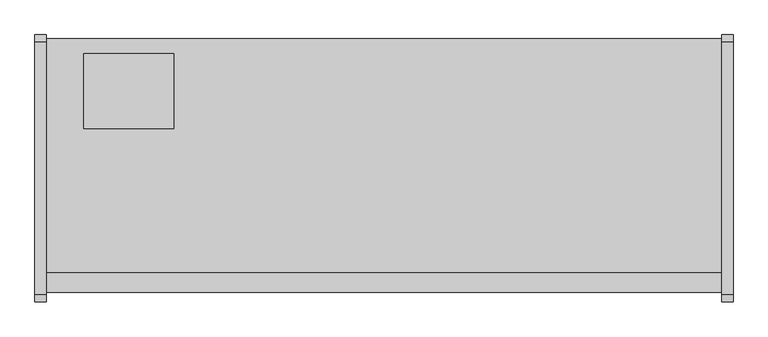
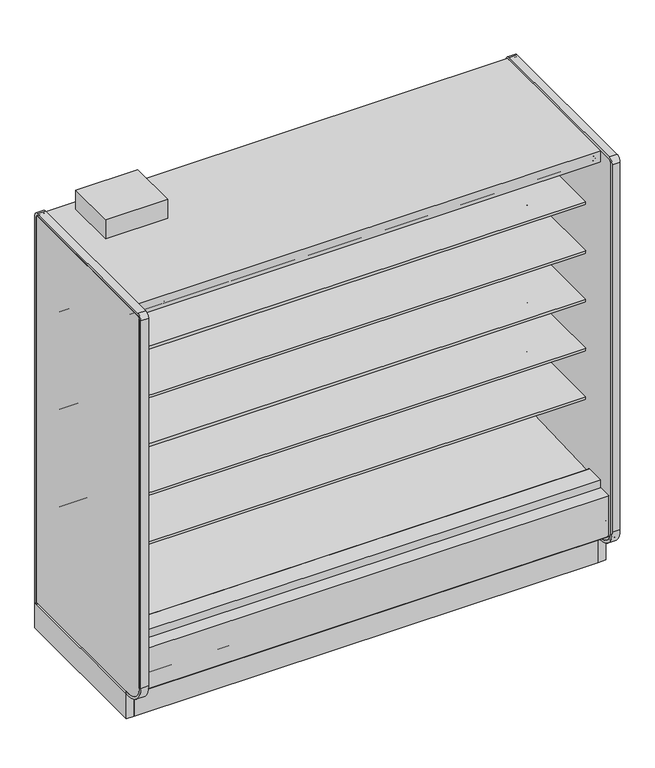
"""IFC4 building model written with IfcOpenShell, lengths in millimetres: proxy geometry."""

from ifc_helpers import new_model, si_unit, point, frame, frame_2d, origin, origin_with_axes, place, context, project, spatial, polyline, circle_curve, trimmed, segment, composite_curve, outline, extrude, source, transform, mapped, element, save


def mechanical_equipment_ccfae0c1(model_context):
    return source(origin(), model_context, "Body", "SweptSolid", [
        extrude(outline(polyline([(0.0, -76.2), (0.0, 0.0), (2286.0, 0.0), (2286.0, -76.2), (0.0, -76.2)])), frame((2286.0, -1069.7024444, 2067.8753304), z_axis=(0.0, 0.08686991344759683, 0.9962196635971442), x_axis=(-1.0, 0.0, 0.0)), (0.0, 0.0, 1.0), 13.49375),
        extrude(outline(polyline([(-1116.7224764, 0.0), (-1116.7224764, 200.9830033), (-1104.0224764, 190.326438), (-1104.0224764, 0.0), (-1116.7224764, 0.0)])), frame((0.0, 0.0, 0.0), z_axis=(1.0, 0.0, 0.0), x_axis=(0.0, 1.0, 0.0)), (0.0, 0.0, 1.0), 2286.0),
        extrude(outline(composite_curve([segment(polyline([(-453.852044, 1714.883004), (-464.9599362, 1714.6666869)]), True, "CONTINUOUS"), segment(trimmed(circle_curve(frame_2d((-465.4478819, 1739.7227147)), 25.0607786), [point((-464.9599362, 1714.6666869))], [point((-481.3552045, 1720.3578055))], False, "CARTESIAN"), True, "CONTINUOUS"), segment(polyline([(-481.3552045, 1720.3578055), (-519.5769051, 1751.4410741)]), True, "CONTINUOUS"), segment(trimmed(circle_curve(frame_2d((-559.6413782, 1702.1755893)), 63.5), [point((-519.5769051, 1751.4410741))], [point((-552.7883688, 1765.304713))], True, "CARTESIAN"), True, "CONTINUOUS"), segment(polyline([(-552.7883688, 1765.304713), (-892.1960421, 1797.9152031), (-892.1960421, 1802.1995295), (-1012.652044, 1802.1995295), (-1012.652044, 1815.6932795), (-453.852044, 1815.6932795), (-453.852044, 1714.883004)]), True, "CONTINUOUS")], self_intersect=False)), frame((0.0, 0.0, 0.0), z_axis=(1.0, 0.0, 0.0), x_axis=(0.0, 1.0, 0.0)), (0.0, 0.0, 1.0), 2286.0),
        extrude(outline(composite_curve([segment(polyline([(-453.852044, 698.883004), (-464.9599362, 698.6666869)]), True, "CONTINUOUS"), segment(trimmed(circle_curve(frame_2d((-465.4478819, 723.7227147)), 25.0607786), [point((-464.9599362, 698.6666869))], [point((-481.3552045, 704.3578055))], False, "CARTESIAN"), True, "CONTINUOUS"), segment(polyline([(-481.3552045, 704.3578055), (-519.5769051, 735.4410741)]), True, "CONTINUOUS"), segment(trimmed(circle_curve(frame_2d((-559.6413782, 686.1755893)), 63.5), [point((-519.5769051, 735.4410741))], [point((-552.7883688, 749.304713))], True, "CARTESIAN"), True, "CONTINUOUS"), segment(polyline([(-552.7883688, 749.304713), (-892.1960421, 781.9152031), (-892.1960421, 786.1995295), (-1012.652044, 786.1995295), (-1012.652044, 799.6932795), (-453.852044, 799.6932795), (-453.852044, 698.883004)]), True, "CONTINUOUS")], self_intersect=False)), frame((0.0, 0.0, 0.0), z_axis=(1.0, 0.0, 0.0), x_axis=(0.0, 1.0, 0.0)), (0.0, 0.0, 1.0), 2286.0),
        extrude(outline(composite_curve([segment(polyline([(-453.852044, 952.883004), (-464.9599362, 952.6666869)]), True, "CONTINUOUS"), segment(trimmed(circle_curve(frame_2d((-465.4478819, 977.7227147)), 25.0607786), [point((-464.9599362, 952.6666869))], [point((-481.3552045, 958.3578055))], False, "CARTESIAN"), True, "CONTINUOUS"), segment(polyline([(-481.3552045, 958.3578055), (-519.5769051, 989.4410741)]), True, "CONTINUOUS"), segment(trimmed(circle_curve(frame_2d((-559.6413782, 940.1755893)), 63.5), [point((-519.5769051, 989.4410741))], [point((-552.7883688, 1003.304713))], True, "CARTESIAN"), True, "CONTINUOUS"), segment(polyline([(-552.7883688, 1003.304713), (-892.1960421, 1035.9152031), (-892.1960421, 1040.1995295), (-1012.652044, 1040.1995295), (-1012.652044, 1053.6932795), (-453.852044, 1053.6932795), (-453.852044, 952.883004)]), True, "CONTINUOUS")], self_intersect=False)), frame((0.0, 0.0, 0.0), z_axis=(1.0, 0.0, 0.0), x_axis=(0.0, 1.0, 0.0)), (0.0, 0.0, 1.0), 2286.0),
        extrude(outline(composite_curve([segment(polyline([(-453.852044, 1206.883004), (-464.9599362, 1206.6666869)]), True, "CONTINUOUS"), segment(trimmed(circle_curve(frame_2d((-465.4478819, 1231.7227147)), 25.0607786), [point((-464.9599362, 1206.6666869))], [point((-481.3552045, 1212.3578055))], False, "CARTESIAN"), True, "CONTINUOUS"), segment(polyline([(-481.3552045, 1212.3578055), (-519.5769051, 1243.4410741)]), True, "CONTINUOUS"), segment(trimmed(circle_curve(frame_2d((-559.6413782, 1194.1755893)), 63.5), [point((-519.5769051, 1243.4410741))], [point((-552.7883688, 1257.304713))], True, "CARTESIAN"), True, "CONTINUOUS"), segment(polyline([(-552.7883688, 1257.304713), (-892.1960421, 1289.9152031), (-892.1960421, 1294.1995295), (-1012.652044, 1294.1995295), (-1012.652044, 1307.6932795), (-453.852044, 1307.6932795), (-453.852044, 1206.883004)]), True, "CONTINUOUS")], self_intersect=False)), frame((0.0, 0.0, 0.0), z_axis=(1.0, 0.0, 0.0), x_axis=(0.0, 1.0, 0.0)), (0.0, 0.0, 1.0), 2286.0),
        extrude(outline(composite_curve([segment(polyline([(-453.852044, 1460.883004), (-464.9599362, 1460.6666869)]), True, "CONTINUOUS"), segment(trimmed(circle_curve(frame_2d((-465.4478819, 1485.7227147)), 25.0607786), [point((-464.9599362, 1460.6666869))], [point((-481.3552045, 1466.3578055))], False, "CARTESIAN"), True, "CONTINUOUS"), segment(polyline([(-481.3552045, 1466.3578055), (-519.5769051, 1497.4410741)]), True, "CONTINUOUS"), segment(trimmed(circle_curve(frame_2d((-559.6413782, 1448.1755893)), 63.5), [point((-519.5769051, 1497.4410741))], [point((-552.7883688, 1511.304713))], True, "CARTESIAN"), True, "CONTINUOUS"), segment(polyline([(-552.7883688, 1511.304713), (-892.1960421, 1543.9152031), (-892.1960421, 1548.1995295), (-1012.652044, 1548.1995295), (-1012.652044, 1561.6932795), (-453.852044, 1561.6932795), (-453.852044, 1460.883004)]), True, "CONTINUOUS")], self_intersect=False)), frame((0.0, 0.0, 0.0), z_axis=(1.0, 0.0, 0.0), x_axis=(0.0, 1.0, 0.0)), (0.0, 0.0, 1.0), 2286.0),
        extrude(outline(composite_curve([segment(trimmed(circle_curve(frame_2d((-1205.2112901, 192.5834383)), 3.175), [point((-1203.6237901, 189.8338076))], [point((-1208.3862901, 192.5834383))], False, "CARTESIAN"), True, "CONTINUOUS"), segment(polyline([(-1208.3862901, 192.5834383), (-1208.3862901, 404.4766923), (-1140.7995461, 404.4766923), (-1140.7995461, 389.4530238), (-1191.4362273, 389.4530238), (-1191.4362273, 263.6779615), (-1151.099162, 229.8208457), (-1203.6237901, 189.8338076)]), True, "CONTINUOUS")], self_intersect=False)), frame((0.0, 0.0, 0.0), z_axis=(1.0, 0.0, 0.0), x_axis=(0.0, 1.0, 0.0)), (0.0, 0.0, 1.0), 2286.0),
        extrude(outline(polyline([(-957.9724764, 130.5306), (-957.9724764, 0.0), (-1116.7224764, 0.0), (-1116.7224764, 200.9830033), (-1032.7605717, 130.5306), (-957.9724764, 130.5306)])), frame((0.0, 0.0, 0.0), z_axis=(1.0, 0.0, 0.0), x_axis=(0.0, 1.0, 0.0)), (0.0, 0.0, 1.0), 2286.0),
        extrude(outline(polyline([(431.8, -399.1724764), (431.8, -653.1724764), (127.0, -653.1724764), (127.0, -399.1724764), (431.8, -399.1724764)])), frame((0.0, 0.0, 2160.5892404), z_axis=(0.0, 0.0, 1.0), x_axis=(1.0, 0.0, 0.0)), (0.0, 0.0, 1.0), 100.0107596),
        extrude(outline(polyline([(-1032.7605717, 130.5306), (-1191.4362273, 263.6752841), (-1191.4362273, 389.4530238), (-1140.7995461, 389.4530238), (-1140.7995461, 291.8489814), (-1030.1279807, 198.9845117), (-1014.582444, 199.5273738), (-969.0109428, 166.5598124), (-899.9654388, 168.9709345), (-859.8822128, 202.4654113), (-402.3474764, 229.9627575), (-402.3474764, 2101.1826079), (-1140.7995461, 2101.1826079), (-1140.7995461, 2159.0), (-348.3724764, 2159.0), (-348.3724764, 130.5306), (-1032.7605717, 130.5306)])), frame((0.0, 0.0, 0.0), z_axis=(1.0, 0.0, 0.0), x_axis=(0.0, 1.0, 0.0)), (0.0, 0.0, 1.0), 2286.0),
        extrude(outline(composite_curve([segment(polyline([(-610.9918112, 2075.7826079), (-992.875881, 2075.7826079), (-992.8481892, 2077.4254758), (-1070.7201873, 2084.2158796), (-1070.7201873, 2074.3348079)]), True, "CONTINUOUS"), segment(trimmed(circle_curve(frame_2d((-1073.2601873, 2074.3348079)), 2.54), [point((-1070.7201873, 2074.3348079))], [point((-1073.2601873, 2071.7948079))], False, "CARTESIAN"), True, "CONTINUOUS"), segment(polyline([(-1073.2601873, 2071.7948079), (-1082.4803873, 2071.7948079)]), True, "CONTINUOUS"), segment(trimmed(circle_curve(frame_2d((-1082.4803873, 2074.3348079)), 2.54), [point((-1082.4803873, 2071.7948079))], [point((-1085.0203873, 2074.3348079))], False, "CARTESIAN"), True, "CONTINUOUS"), segment(polyline([(-1085.0203873, 2074.3348079), (-1085.0203873, 2094.529083)]), True, "CONTINUOUS"), segment(trimmed(circle_curve(frame_2d((-1087.5603873, 2094.529083)), 2.54), [point((-1085.0203873, 2094.529083))], [point((-1087.5603873, 2097.069083))], True, "CARTESIAN"), True, "CONTINUOUS"), segment(polyline([(-1087.5603873, 2097.069083), (-1101.5303873, 2097.069083)]), True, "CONTINUOUS"), segment(trimmed(circle_curve(frame_2d((-1101.5303873, 2099.609083)), 2.54), [point((-1101.5303873, 2097.069083))], [point((-1104.0703873, 2099.609083))], False, "CARTESIAN"), True, "CONTINUOUS"), segment(polyline([(-1104.0703873, 2099.609083), (-1104.0703873, 2101.1826079), (-402.3474764, 2101.1826079), (-402.3474764, 445.9092331), (-453.852044, 445.9092331), (-453.852044, 2075.7826079), (-610.9918112, 2075.7826079)]), True, "CONTINUOUS")], self_intersect=False)), frame((0.0, 0.0, 0.0), z_axis=(1.0, 0.0, 0.0), x_axis=(0.0, 1.0, 0.0)), (0.0, 0.0, 1.0), 2286.0),
        extrude(outline(composite_curve([segment(polyline([(-453.852044, 445.9092331), (-402.3474764, 445.9092331), (-402.3474764, 229.9627575), (-859.8822128, 202.4654113), (-899.9654388, 168.9709345), (-969.0109428, 166.5598124), (-1014.582444, 199.5273738), (-1030.1279807, 198.9845117), (-1140.7995461, 291.8489814), (-1140.7995461, 445.9478), (-1046.459444, 445.9478)]), True, "CONTINUOUS"), segment(trimmed(circle_curve(frame_2d((-1046.459444, 443.8904)), 2.0574), [point((-1046.459444, 445.9478))], [point((-1044.402044, 443.8904))], False, "CARTESIAN"), True, "CONTINUOUS"), segment(polyline([(-1044.402044, 443.8904), (-1044.402044, 423.8521774), (-453.852044, 445.9092331)]), True, "CONTINUOUS")], self_intersect=False)), frame((0.0, 0.0, 0.0), z_axis=(1.0, 0.0, 0.0), x_axis=(0.0, 1.0, 0.0)), (0.0, 0.0, 1.0), 2286.0),
        extrude(outline(polyline([(-957.9724764, 0.0), (-957.9724764, 130.5306), (-348.3724764, 130.5306), (-348.3724764, 0.0), (-394.3083324, 0.0), (-394.3083324, 74.8810382), (-886.6366205, 74.8810382), (-886.6366205, 0.0), (-957.9724764, 0.0)])), frame((0.0, 0.0, 0.0), z_axis=(1.0, 0.0, 0.0), x_axis=(0.0, 1.0, 0.0)), (0.0, 0.0, 1.0), 2286.0),
        extrude(outline(composite_curve([segment(polyline([(-1214.1946273, 2159.0), (-361.0724764, 2159.0)]), True, "CONTINUOUS"), segment(trimmed(circle_curve(frame_2d((-361.0724764, 2146.3)), 12.7), [point((-361.0724764, 2159.0))], [point((-348.3724764, 2146.3))], False, "CARTESIAN"), True, "CONTINUOUS"), segment(polyline([(-348.3724764, 2146.3), (-348.3724764, 143.2306), (-1137.9946273, 143.2306)]), True, "CONTINUOUS"), segment(trimmed(circle_curve(frame_2d((-1137.9946273, 232.1306)), 88.9), [point((-1137.9946273, 143.2306))], [point((-1226.8946273, 232.1306))], False, "CARTESIAN"), True, "CONTINUOUS"), segment(polyline([(-1226.8946273, 232.1306), (-1226.8946273, 2146.3)]), True, "CONTINUOUS"), segment(trimmed(circle_curve(frame_2d((-1214.1946273, 2146.3)), 12.7), [point((-1226.8946273, 2146.3))], [point((-1214.1946273, 2159.0))], False, "CARTESIAN"), True, "CONTINUOUS")], self_intersect=False)), frame((-38.1, 0.0, 0.0), z_axis=(1.0, 0.0, 0.0), x_axis=(0.0, 1.0, 0.0)), (0.0, 0.0, 1.0), 38.1),
        extrude(outline(composite_curve([segment(polyline([(-1239.5946273, 232.1306), (-1239.5946273, 2146.3)]), True, "CONTINUOUS"), segment(trimmed(circle_curve(frame_2d((-1214.1946273, 2146.3)), 25.4), [point((-1239.5946273, 2146.3))], [point((-1214.1946273, 2171.7))], False, "CARTESIAN"), True, "CONTINUOUS"), segment(polyline([(-1214.1946273, 2171.7), (-361.0724764, 2171.7)]), True, "CONTINUOUS"), segment(trimmed(circle_curve(frame_2d((-361.0724764, 2146.3)), 25.4), [point((-361.0724764, 2171.7))], [point((-335.6724764, 2146.3))], False, "CARTESIAN"), True, "CONTINUOUS"), segment(polyline([(-335.6724764, 2146.3), (-335.6724764, 130.5306), (-348.3724764, 130.5306), (-348.3724764, 2146.3)]), True, "CONTINUOUS"), segment(trimmed(circle_curve(frame_2d((-361.0724764, 2146.3)), 12.7), [point((-348.3724764, 2146.3))], [point((-361.0724764, 2159.0))], True, "CARTESIAN"), True, "CONTINUOUS"), segment(polyline([(-361.0724764, 2159.0), (-1214.1946273, 2159.0)]), True, "CONTINUOUS"), segment(trimmed(circle_curve(frame_2d((-1214.1946273, 2146.3)), 12.7), [point((-1214.1946273, 2159.0))], [point((-1226.8946273, 2146.3))], True, "CARTESIAN"), True, "CONTINUOUS"), segment(polyline([(-1226.8946273, 2146.3), (-1226.8946273, 232.1306)]), True, "CONTINUOUS"), segment(trimmed(circle_curve(frame_2d((-1137.9946273, 232.1306)), 88.9), [point((-1226.8946273, 232.1306))], [point((-1137.9946273, 143.2306))], True, "CARTESIAN"), True, "CONTINUOUS"), segment(polyline([(-1137.9946273, 143.2306), (-1116.7224764, 143.2306), (-1116.7224764, 130.5306), (-1137.9946273, 130.5306)]), True, "CONTINUOUS"), segment(trimmed(circle_curve(frame_2d((-1137.9946273, 232.1306)), 101.6), [point((-1137.9946273, 130.5306))], [point((-1239.5946273, 232.1306))], False, "CARTESIAN"), True, "CONTINUOUS")], self_intersect=False)), frame((-38.1, 0.0, 0.0), z_axis=(1.0, 0.0, 0.0), x_axis=(0.0, 1.0, 0.0)), (0.0, 0.0, 1.0), 38.1),
        extrude(outline(composite_curve([segment(polyline([(-1239.5946273, 232.1306), (-1239.5946273, 2146.3)]), True, "CONTINUOUS"), segment(trimmed(circle_curve(frame_2d((-1214.1946273, 2146.3)), 25.4), [point((-1239.5946273, 2146.3))], [point((-1214.1946273, 2171.7))], False, "CARTESIAN"), True, "CONTINUOUS"), segment(polyline([(-1214.1946273, 2171.7), (-361.0724764, 2171.7)]), True, "CONTINUOUS"), segment(trimmed(circle_curve(frame_2d((-361.0724764, 2146.3)), 25.4), [point((-361.0724764, 2171.7))], [point((-335.6724764, 2146.3))], False, "CARTESIAN"), True, "CONTINUOUS"), segment(polyline([(-335.6724764, 2146.3), (-335.6724764, 130.5306), (-348.3724764, 130.5306), (-348.3724764, 2146.3)]), True, "CONTINUOUS"), segment(trimmed(circle_curve(frame_2d((-361.0724764, 2146.3)), 12.7), [point((-348.3724764, 2146.3))], [point((-361.0724764, 2159.0))], True, "CARTESIAN"), True, "CONTINUOUS"), segment(polyline([(-361.0724764, 2159.0), (-1214.1946273, 2159.0)]), True, "CONTINUOUS"), segment(trimmed(circle_curve(frame_2d((-1214.1946273, 2146.3)), 12.7), [point((-1214.1946273, 2159.0))], [point((-1226.8946273, 2146.3))], True, "CARTESIAN"), True, "CONTINUOUS"), segment(polyline([(-1226.8946273, 2146.3), (-1226.8946273, 232.1306)]), True, "CONTINUOUS"), segment(trimmed(circle_curve(frame_2d((-1137.9946273, 232.1306)), 88.9), [point((-1226.8946273, 232.1306))], [point((-1137.9946273, 143.2306))], True, "CARTESIAN"), True, "CONTINUOUS"), segment(polyline([(-1137.9946273, 143.2306), (-1116.7224764, 143.2306), (-1116.7224764, 130.5306), (-1137.9946273, 130.5306)]), True, "CONTINUOUS"), segment(trimmed(circle_curve(frame_2d((-1137.9946273, 232.1306)), 101.6), [point((-1137.9946273, 130.5306))], [point((-1239.5946273, 232.1306))], False, "CARTESIAN"), True, "CONTINUOUS")], self_intersect=False)), frame((2286.0, 0.0, 0.0), z_axis=(1.0, 0.0, 0.0), x_axis=(0.0, 1.0, 0.0)), (0.0, 0.0, 1.0), 38.1),
        extrude(outline(composite_curve([segment(polyline([(-1214.1946273, 2159.0), (-361.0724764, 2159.0)]), True, "CONTINUOUS"), segment(trimmed(circle_curve(frame_2d((-361.0724764, 2146.3)), 12.7), [point((-361.0724764, 2159.0))], [point((-348.3724764, 2146.3))], False, "CARTESIAN"), True, "CONTINUOUS"), segment(polyline([(-348.3724764, 2146.3), (-348.3724764, 143.2306), (-1137.9946273, 143.2306)]), True, "CONTINUOUS"), segment(trimmed(circle_curve(frame_2d((-1137.9946273, 232.1306)), 88.9), [point((-1137.9946273, 143.2306))], [point((-1226.8946273, 232.1306))], False, "CARTESIAN"), True, "CONTINUOUS"), segment(polyline([(-1226.8946273, 232.1306), (-1226.8946273, 2146.3)]), True, "CONTINUOUS"), segment(trimmed(circle_curve(frame_2d((-1214.1946273, 2146.3)), 12.7), [point((-1226.8946273, 2146.3))], [point((-1214.1946273, 2159.0))], False, "CARTESIAN"), True, "CONTINUOUS")], self_intersect=False)), frame((2286.0, 0.0, 0.0), z_axis=(1.0, 0.0, 0.0), x_axis=(0.0, 1.0, 0.0)), (0.0, 0.0, 1.0), 38.1),
        extrude(outline(polyline([(2324.1, -335.6724764), (2324.1, -1116.7224764), (2286.0, -1116.7224764), (2286.0, -335.6724764), (2324.1, -335.6724764)])), origin_with_axes(), (0.0, 0.0, 1.0), 143.2306),
        extrude(outline(polyline([(457.2, -1044.3321273), (457.2, -1108.244384), (254.0, -1108.244384), (254.0, -1044.3321273), (457.2, -1044.3321273)])), frame((0.0, 0.0, 44.45), z_axis=(0.0, 0.0, 1.0), x_axis=(1.0, 0.0, 0.0)), (0.0, 0.0, 1.0), 6.35),
        extrude(outline(polyline([(0.0, -335.6724764), (0.0, -1116.7224764), (-38.1, -1116.7224764), (-38.1, -335.6724764), (0.0, -335.6724764)])), origin_with_axes(), (0.0, 0.0, 1.0), 130.5306),
        extrude(outline(composite_curve([segment(trimmed(circle_curve(frame_2d((1143.0, -936.3821273)), 38.1), [point((1104.9, -936.3821273))], [point((1181.1, -936.3821273))], False, "CARTESIAN"), True, "CONTINUOUS"), segment(trimmed(circle_curve(frame_2d((1143.0, -936.3821273)), 38.1), [point((1181.1, -936.3821273))], [point((1104.9, -936.3821273))], False, "CARTESIAN"), True, "CONTINUOUS")], self_intersect=False)), frame((0.0, 0.0, 61.2666507), z_axis=(0.0, 0.0, 1.0), x_axis=(1.0, 0.0, 0.0)), (0.0, 0.0, 1.0), 65.7333493),
        extrude(outline(composite_curve([segment(trimmed(circle_curve(frame_2d((1341.4375, -939.5571273)), 12.7), [point((1328.7375, -939.5571273))], [point((1354.1375, -939.5571273))], False, "CARTESIAN"), True, "CONTINUOUS"), segment(trimmed(circle_curve(frame_2d((1341.4375, -939.5571273)), 12.7), [point((1354.1375, -939.5571273))], [point((1328.7375, -939.5571273))], False, "CARTESIAN"), True, "CONTINUOUS")], self_intersect=False)), frame((0.0, 0.0, 61.2666507), z_axis=(0.0, 0.0, 1.0), x_axis=(1.0, 0.0, 0.0)), (0.0, 0.0, 1.0), 65.7333493),
        extrude(outline(composite_curve([segment(trimmed(circle_curve(frame_2d((1290.6375, -939.5571273)), 9.525), [point((1281.1125, -939.5571273))], [point((1300.1625, -939.5571273))], False, "CARTESIAN"), True, "CONTINUOUS"), segment(trimmed(circle_curve(frame_2d((1290.6375, -939.5571273)), 9.525), [point((1300.1625, -939.5571273))], [point((1281.1125, -939.5571273))], False, "CARTESIAN"), True, "CONTINUOUS")], self_intersect=False)), frame((0.0, 0.0, 61.2666507), z_axis=(0.0, 0.0, 1.0), x_axis=(1.0, 0.0, 0.0)), (0.0, 0.0, 1.0), 65.7333493),
    ])


if __name__ == "__main__":
    model = new_model("IFC4")
    model_context = context("Model", 3, world=origin())
    ifc_project = project(units=[si_unit("LENGTHUNIT", "METRE", prefix="MILLI")], contexts=[model_context])
    site = spatial("IfcSite", under=ifc_project)
    building = spatial("IfcBuilding", under=site)
    placement = place(None, origin())
    mechanical_equipment_shape = mechanical_equipment_ccfae0c1(model_context)
    element("IfcBuildingElementProxy", 1, Name="Mechanical Equipment", at=placement, inside=building, context=model_context, shape_type="MappedRepresentation", body=[
        mapped(mechanical_equipment_shape, transform((0.0, 0.0, 0.0), x_axis=(1.0, 0.0, 0.0), y_axis=(0.0, 1.0, 0.0), z_axis=(0.0, 0.0, 1.0))),
    ])
    save(model, "model.ifc")
